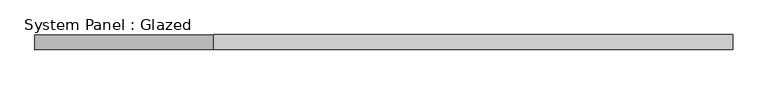
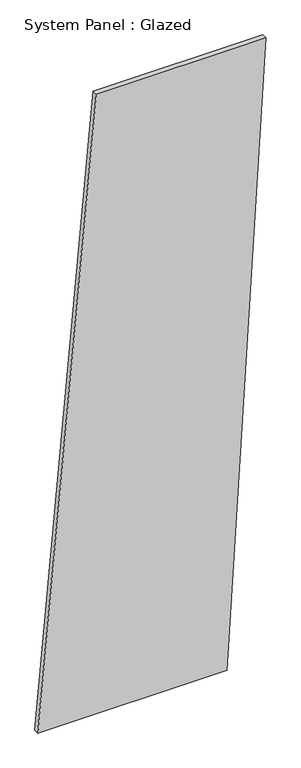
"""IFC4 building model written with IfcOpenShell, lengths in millimetres: plate geometry, System Panel : Glazed."""

from ifc_helpers import new_model, si_unit, frame, origin, place, context, project, spatial, polyline, outline, extrude, source, transform, mapped, element, save


def system_panel_glazed_53ca0541(model_context):
    return source(origin(), model_context, "Body", "SweptSolid", [
        extrude(outline(polyline([(0.0, -582.3503682), (0.0, 383.4236476), (3338.8114299, 582.3503682), (3338.8114299, -283.9602873), (0.0, -582.3503682)])), frame((0.0, -49.5, 0.0), z_axis=(0.0, 1.0, 0.0), x_axis=(0.0, 0.0, 1.0)), (0.0, 0.0, 1.0), 25.0),
    ])


if __name__ == "__main__":
    model = new_model("IFC4")
    model_context = context("Model", 3, world=origin())
    ifc_project = project(units=[si_unit("LENGTHUNIT", "METRE", prefix="MILLI")], contexts=[model_context])
    site = spatial("IfcSite", under=ifc_project)
    building = spatial("IfcBuilding", under=site)
    placement = place(None, origin())
    system_panel_glazed_shape = system_panel_glazed_53ca0541(model_context)
    element("IfcPlate", 1, ObjectType="System Panel : Glazed", at=placement, inside=building, context=model_context, shape_type="MappedRepresentation", body=[
        mapped(system_panel_glazed_shape, transform((0.0, 0.0, 0.0), x_axis=(1.0, 0.0, 0.0), y_axis=(0.0, 1.0, 0.0), z_axis=(0.0, 0.0, 1.0))),
    ])
    save(model, "model.ifc")
